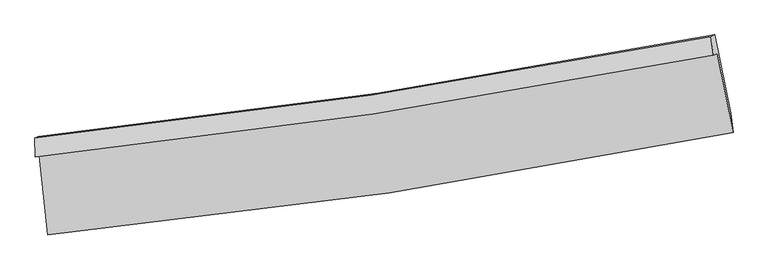
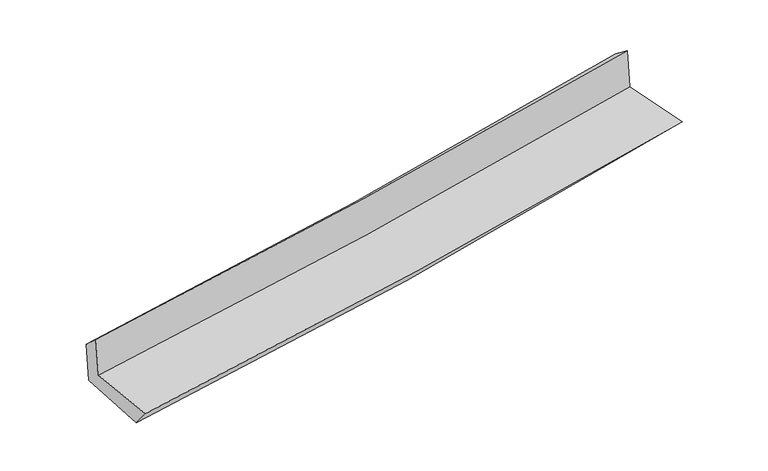
"""IFC4 building model written with IfcOpenShell, lengths in millimetres: proxy geometry."""

import ifcopenshell
import ifcopenshell.guid

model = None  # the IFC model being written
_history = None  # IfcOwnerHistory: only IFC2X3 demands one
_inside = {}  # id of a spatial element -> (the spatial element, [elements in it])
_under = {}  # id of a project, library or spatial element -> (it, [spatial elements below it])
_declared = {}  # id of a project -> (the project, [libraries it declares])
_typed = {}  # id of a type object -> (the type object, [elements of that type])
_made_of = {}  # id of a material, layer set ... -> (it, [elements and type objects made of it])


def new_model(schema):
    """Start an empty IFC model of exactly this schema.

    Asked for "IFC4X3", IfcOpenShell would pick the latest addendum, in which some entities
    have other attributes; the version numbers below select the first issue.
    IFC2X3 requires an IfcOwnerHistory on every rooted entity: one is made here for all.
    """
    global model, _history
    if schema == "IFC4X3":
        model = ifcopenshell.file(schema_version=(4, 3, 0, 0))
    else:
        model = ifcopenshell.file(schema=schema)
    _inside.clear()
    _under.clear()
    _declared.clear()
    _typed.clear()
    _made_of.clear()
    _history = None
    if model.schema == "IFC2X3":
        org = make("IfcOrganization", Name="unknown")
        user = make(
            "IfcPersonAndOrganization",
            ThePerson=make("IfcPerson", FamilyName="unknown"),
            TheOrganization=org,
        )
        app = make(
            "IfcApplication",
            ApplicationDeveloper=org,
            Version="unknown",
            ApplicationFullName="unknown",
            ApplicationIdentifier="unknown",
        )
        _history = make(
            "IfcOwnerHistory",
            OwningUser=user,
            OwningApplication=app,
            ChangeAction="ADDED",
            CreationDate=0,
        )
    return model


def make(cls, **values):
    """One entity of the class cls with the attributes given. An attribute that is None is left unset."""
    return model.create_entity(
        cls, **{name: value for name, value in values.items() if value is not None}
    )


def rooted(cls, **values):
    """An entity with a GlobalId (a new one), such as an element, a storey or a relation."""
    return make(cls, GlobalId=ifcopenshell.guid.new(), OwnerHistory=_history, **values)


def si_unit(unit_type, name, prefix=None):
    """IfcSIUnit, for example si_unit("LENGTHUNIT", "METRE", prefix="MILLI")."""
    return make("IfcSIUnit", UnitType=unit_type, Prefix=prefix, Name=name)


def assignment(units):
    """IfcUnitAssignment: the units of a project."""
    return None if units is None else make("IfcUnitAssignment", Units=units)


def point(xyz):
    """IfcCartesianPoint."""
    return None if xyz is None else make("IfcCartesianPoint", Coordinates=xyz)


def direction(xyz):
    """IfcDirection."""
    return None if xyz is None else make("IfcDirection", DirectionRatios=xyz)


def frame(location, z_axis=None, x_axis=None):
    """IfcAxis2Placement3D, a coordinate frame: its origin and axes. An axis left out is left unset."""
    return make(
        "IfcAxis2Placement3D",
        Location=point(location),
        Axis=direction(z_axis),
        RefDirection=direction(x_axis),
    )


def origin():
    """The frame at (0, 0, 0) with its axes left unset."""
    return frame((0.0, 0.0, 0.0))


def place(relative_to, where):
    """IfcLocalPlacement: puts the frame where relative to a parent placement (None: the world)."""
    return make(
        "IfcLocalPlacement", PlacementRelTo=relative_to, RelativePlacement=where
    )


def context(
    kind, dimensions, precision=None, world=None, true_north=None, identifier=None
):
    """IfcGeometricRepresentationContext, for example the 3D "Model" context."""
    return make(
        "IfcGeometricRepresentationContext",
        ContextIdentifier=identifier,
        ContextType=kind,
        CoordinateSpaceDimension=dimensions,
        Precision=precision,
        WorldCoordinateSystem=world,
        TrueNorth=true_north,
    )


def project(units=None, contexts=None):
    """IfcProject with its units and contexts."""
    return rooted(
        "IfcProject",
        Name="project",
        RepresentationContexts=contexts,
        UnitsInContext=assignment(units),
    )


def spatial(cls, under=None, at=None, **own):
    """A site, building, storey or space (cls), placed at a placement, below another one or the project."""
    s = rooted(cls, ObjectPlacement=at, **own)
    if under is not None:
        _under.setdefault(under.id(), (under, []))[1].append(s)
    return s


def shape(context_of_items, identifier, shape_type, items):
    """IfcShapeRepresentation: the items that make up one representation, for example the "Body"."""
    return make(
        "IfcShapeRepresentation",
        ContextOfItems=context_of_items,
        RepresentationIdentifier=identifier,
        RepresentationType=shape_type,
        Items=items,
    )


def source(mapping_origin, context_of_items, identifier, shape_type, items):
    """IfcRepresentationMap: a shape defined once, which mapped items show again and again."""
    return make(
        "IfcRepresentationMap",
        MappingOrigin=mapping_origin,
        MappedRepresentation=shape(context_of_items, identifier, shape_type, items),
    )


def transform(
    local_origin,
    x_axis=None,
    y_axis=None,
    z_axis=None,
    scale=None,
    scale2=None,
    scale3=None,
    uniform=True,
):
    """IfcCartesianTransformationOperator3D, or its non-uniform kind. x_axis, y_axis, z_axis: its Axis1, 2, 3."""
    if uniform:
        return make(
            "IfcCartesianTransformationOperator3D",
            Axis1=direction(x_axis),
            Axis2=direction(y_axis),
            LocalOrigin=point(local_origin),
            Scale=scale,
            Axis3=direction(z_axis),
        )
    return make(
        "IfcCartesianTransformationOperator3DnonUniform",
        Axis1=direction(x_axis),
        Axis2=direction(y_axis),
        LocalOrigin=point(local_origin),
        Scale=scale,
        Axis3=direction(z_axis),
        Scale2=scale2,
        Scale3=scale3,
    )


def mapped(mapping_source, mapping_target):
    """IfcMappedItem: shows the shape of a source again, moved by a transform."""
    return make(
        "IfcMappedItem", MappingSource=mapping_source, MappingTarget=mapping_target
    )


def made_of(thing, what):
    """Note that an element or type object is made of a material, layer set ...; save() writes the relation."""
    if what is not None:
        _made_of.setdefault(what.id(), (what, []))[1].append(thing)
    return thing


def element(
    cls,
    number,
    at=None,
    inside=None,
    cuts=None,
    type_object=None,
    material=None,
    context=None,
    identifier="Body",
    shape_type=None,
    held_by="IfcProductDefinitionShape",
    body=None,
    shapes=None,
    **own,
):
    """One element of the class cls, such as IfcWall. Its Tag is "e" and its number.

    at: its placement. inside: the storey or other place that contains it. cuts: it is an
    opening in that element (IfcRelVoidsElement). A single representation is given by context,
    identifier, shape_type and body (its items); several are given by shapes. held_by: the class
    of the entity that holds the representations. save() writes the other relations.
    """
    e = rooted(cls, Tag="e%d" % number, ObjectPlacement=at, **own)
    if body is not None:
        shapes = [shape(context, identifier, shape_type, body)]
    if shapes is not None:
        e.Representation = make(held_by, Representations=shapes)
    if inside is not None:
        _inside.setdefault(inside.id(), (inside, []))[1].append(e)
    if cuts is not None:
        rooted(
            "IfcRelVoidsElement", RelatingBuildingElement=cuts, RelatedOpeningElement=e
        )
    if type_object is not None:
        _typed.setdefault(type_object.id(), (type_object, []))[1].append(e)
    return made_of(e, material)


def aggregate(whole, parts):
    """IfcRelAggregates: a whole, such as a stair, and the parts it consists of."""
    return rooted("IfcRelAggregates", RelatingObject=whole, RelatedObjects=parts)


def save(model, path):
    """Write the relations noted so far, then the file.

    IfcRelAggregates (storeys below a building ...), IfcRelContainedInSpatialStructure (elements
    in a storey), IfcRelDefinesByType, IfcRelAssociatesMaterial and IfcRelDeclares: one each for
    every whole, place, type object, material and project.
    """
    for whole, parts in _under.values():
        aggregate(whole, parts)
    for where, things in _inside.values():
        rooted(
            "IfcRelContainedInSpatialStructure",
            RelatedElements=things,
            RelatingStructure=where,
        )
    for kind, things in _typed.values():
        rooted("IfcRelDefinesByType", RelatedObjects=things, RelatingType=kind)
    for what, things in _made_of.values():
        rooted("IfcRelAssociatesMaterial", RelatedObjects=things, RelatingMaterial=what)
    for by, libraries in _declared.values():
        rooted("IfcRelDeclares", RelatingContext=by, RelatedDefinitions=libraries)
    model.write(path)


def plane_surface(at):
    """IfcPlane: the flat surface through the origin of the frame at, square to its z axis."""
    return make("IfcPlane", Position=at)


def spline_curve(degree, points, multiplicities, knots, weights=None):
    """IfcBSplineCurveWithKnots; with weights, IfcRationalBSplineCurveWithKnots."""
    own = dict(
        Degree=degree,
        ControlPointsList=[point(p) for p in points],
        CurveForm="UNSPECIFIED",
        ClosedCurve=False,
        SelfIntersect=False,
        KnotMultiplicities=multiplicities,
        Knots=knots,
        KnotSpec="UNSPECIFIED",
    )
    if weights is None:
        return make("IfcBSplineCurveWithKnots", **own)
    return make("IfcRationalBSplineCurveWithKnots", WeightsData=weights, **own)


def spline_surface(u_degree, v_degree, points, u_multiplicities, v_multiplicities, u_knots, v_knots, weights=None):
    """IfcBSplineSurfaceWithKnots; with weights, IfcRationalBSplineSurfaceWithKnots. points: one row for each step in u."""
    own = dict(
        UDegree=u_degree,
        VDegree=v_degree,
        ControlPointsList=[[point(p) for p in row] for row in points],
        SurfaceForm="UNSPECIFIED",
        UClosed=False,
        VClosed=False,
        SelfIntersect=False,
        UMultiplicities=u_multiplicities,
        VMultiplicities=v_multiplicities,
        UKnots=u_knots,
        VKnots=v_knots,
        KnotSpec="UNSPECIFIED",
    )
    if weights is None:
        return make("IfcBSplineSurfaceWithKnots", **own)
    return make("IfcRationalBSplineSurfaceWithKnots", WeightsData=weights, **own)


def advanced_brep(points, edges, surfaces, faces):
    """IfcAdvancedBrep: a solid bounded by faces that lie on surfaces and meet in shared edges.

    An edge is (start, end): straight between two places in points (the first is 0);
    or (start, end, curve); or (start, end, curve, False) where it runs against its curve.
    A face is (place in surfaces, loops), or (place, loops, False) where it looks against
    its surface's normal. A loop lists edges by number (the first is 1), with a minus sign
    where the edge is run from its end to its start. The first loop is the outer one.
    """
    corners = [point(p) for p in points]
    vertices = [make("IfcVertexPoint", VertexGeometry=c) for c in corners]
    made = []
    for start, end, *more in edges:
        made.append(
            make(
                "IfcEdgeCurve",
                EdgeStart=vertices[start],
                EdgeEnd=vertices[end],
                EdgeGeometry=more[0] if more else make("IfcPolyline", Points=[corners[start], corners[end]]),
                SameSense=more[1] if len(more) > 1 else True,
            )
        )
    hull = []
    for where, loops, *sense in faces:
        bounds = []
        for j, loop in enumerate(loops):
            ring = [make("IfcOrientedEdge", EdgeElement=made[abs(k) - 1], Orientation=k > 0) for k in loop]
            bounds.append(
                make(
                    "IfcFaceOuterBound" if j == 0 else "IfcFaceBound",
                    Bound=make("IfcEdgeLoop", EdgeList=ring),
                    Orientation=True,
                )
            )
        hull.append(make("IfcAdvancedFace", Bounds=bounds, FaceSurface=surfaces[where], SameSense=sense[0] if sense else True))
    return make("IfcAdvancedBrep", Outer=make("IfcClosedShell", CfsFaces=hull))


def generic_models_95d7e3f1(model_context):
    return source(origin(), model_context, "Body", "AdvancedBrep", [
        advanced_brep(
        [(-2864.4517794, -1907.6178975, 1670.2389142), (-2792.1206248, -2575.0051779, 1652.9737878), (2954.3009606, -1715.2571166, 2138.109421), (2822.7029005, -1054.1914465, 2143.9783306), (-2897.0651946, -1921.1629302, 2057.1933093), (2789.458042, -1067.9987308, 2538.4247277), (-2901.4655112, -1764.1462409, 1917.8734047), (2768.8883864, -908.8305948, 2417.9829222), (-2868.4250553, -1750.4238493, 1525.8522208), (2801.067922, -895.4657613, 2036.1764576), (-2792.0412819, -2418.2153883, 1463.0201546), (2936.4149969, -1551.7812334, 1978.8860167)],
        [
            (0, 1),
            (1, 2, spline_curve(3, [(-2792.1206248, -2575.0051779, 1652.9737878), (-1835.694993065, -2483.56671977, 1750.103169977), (-882.060435616, -2366.904500186, 1838.864156311), (1033.495440635, -2081.063002079, 2000.8219358), (1995.334745141, -1911.142534783, 2073.772827177), (2954.3009606, -1715.2571166, 2138.109421)], [4, 2, 4], [0.0, 9.449695345502029, 19.037223028808786])),
            (2, 3),
            (3, 0, spline_curve(3, [(2822.7029005, -1054.1914465, 2143.9783306), (1873.917320516, -1238.864395829, 2068.954646543), (922.142163704, -1402.684762087, 1991.662384477), (-973.66140256, -1686.564993443, 1833.68448749), (-1917.604472578, -1807.220110766, 1753.063610894), (-2864.4517794, -1907.6178975, 1670.2389142)], [4, 2, 4], [0.0, 9.587527683306757, 19.037223028808786])),
            (4, 0),
            (3, 5),
            (5, 4, spline_curve(3, [(2789.458042, -1067.9987308, 2538.4247277), (1840.295960265, -1252.828049249, 2467.868194537), (888.387300512, -1416.703862161, 2392.159929891), (-1007.198848302, -1700.493795142, 2231.602396827), (-1950.797934035, -1821.0060486, 2146.900188838), (-2897.0651946, -1921.1629302, 2057.1933093)], [4, 2, 4], [0.0, 9.536950614384542, 18.93679599766789])),
            (6, 4),
            (5, 7),
            (7, 6, spline_curve(3, [(2768.8883864, -908.8305948, 2417.9829222), (1823.466855824, -1095.290537125, 2337.30056637), (874.781957561, -1260.157651939, 2254.97000896), (-1015.429163356, -1544.646483633, 2088.219787348), (-1956.862231202, -1664.884584502, 2003.847172369), (-2901.4655112, -1764.1462409, 1917.8734047)], [4, 2, 4], [0.0, 9.525420542237736, 18.913901612144585])),
            (8, 6),
            (7, 9),
            (9, 8, spline_curve(3, [(2801.067922, -895.4657613, 2036.1764576), (1855.586728033, -1081.950483383, 1956.202002063), (906.944999985, -1246.799668448, 1873.359234658), (-982.976211964, -1531.168095075, 1703.169277846), (-1924.165476743, -1651.304939205, 1615.903966017), (-2868.4250553, -1750.4238493, 1525.8522208)], [4, 2, 4], [0.0, 9.513917325472441, 18.89106055130562])),
            (10, 8),
            (9, 11),
            (11, 10, spline_curve(3, [(2936.4149969, -1551.7812334, 1978.8860167), (1982.271985883, -1751.475317754, 1896.947386356), (1024.345689217, -1923.851602313, 1812.661128975), (-885.247734048, -2211.883180446, 1640.638826585), (-1836.806863381, -2328.318280737, 1552.969796916), (-2792.0412819, -2418.2153883, 1463.0201546)], [4, 2, 4], [0.0, 9.564495321035446, 18.99148942240651])),
            (1, 10),
            (11, 2),
        ],
        [
            spline_surface(3, 3, [[(-2864.4517794, -1907.6178975, 1670.2389142), (-1917.604472436, -1807.220110643, 1753.063610767), (-973.661402606, -1686.564993291, 1833.684487465), (922.142163751, -1402.684762241, 1991.662384503), (1873.917320534, -1238.864395945, 2068.95464666), (2822.7029005, -1054.1914465, 2143.9783306)], [(-2840.341394543, -2130.080324303, 1664.483872058), (-1890.301312615, -2032.668980406, 1752.076797181), (-943.127746947, -1913.344828936, 1835.411043769), (959.259922722, -1628.810842198, 1994.715568236), (1914.389795391, -1462.957108879, 2070.560706826), (2866.568920528, -1274.546669874, 2142.022027429)], [(-2816.231009657, -2352.542751097, 1658.728829942), (-1862.998152764, -2258.117850162, 1751.08998362), (-912.594091296, -2140.124664544, 1837.137600088), (996.377681686, -1854.936922119, 1997.768751985), (1954.862270264, -1687.04982179, 2072.166766907), (2910.434940572, -1494.901893226, 2140.065724171)], [(-2792.1206248, -2575.0051779, 1652.9737878), (-1835.694992944, -2483.566719926, 1750.103170034), (-882.060435638, -2366.904500188, 1838.864156392), (1033.495440657, -2081.063002077, 2000.821935718), (1995.334745122, -1911.142534724, 2073.772827074), (2954.3009606, -1715.2571166, 2138.109421)]], [4, 4], [4, 2, 4], [0.0, 2.2537401650040145], [0.0, 9.449695345502029, 19.037223028808786]),
            spline_surface(3, 3, [[(-2897.0651946, -1921.1629302, 2057.1933093), (-1950.797934013, -1821.006048722, 2146.900188979), (-1007.198848226, -1700.493795121, 2231.602396939), (888.387300434, -1416.703862182, 2392.159929776), (1840.295960183, -1252.82804933, 2467.868194639), (2789.458042, -1067.9987308, 2538.4247277)], [(-2886.194056209, -1916.647919306, 1928.208510941), (-1939.73344683, -1816.410736034, 2015.621329583), (-996.019699683, -1695.850861176, 2098.963093787), (899.638921542, -1412.030828866, 2258.660748025), (1851.503080301, -1248.173498204, 2334.897011971), (2800.539661502, -1063.396302703, 2406.942595325)], [(-2875.322917791, -1912.132908394, 1799.223712559), (-1928.668959619, -1811.81542333, 1884.342470163), (-984.840551148, -1691.207927237, 1966.323790617), (910.890542643, -1407.357795557, 2125.161566255), (1862.710200415, -1243.518947071, 2201.925829327), (2811.621280998, -1058.793874597, 2275.460462975)], [(-2864.4517794, -1907.6178975, 1670.2389142), (-1917.604472436, -1807.220110643, 1753.063610767), (-973.661402606, -1686.564993291, 1833.684487465), (922.142163751, -1402.684762241, 1991.662384503), (1873.917320534, -1238.864395945, 2068.95464666), (2822.7029005, -1054.1914465, 2143.9783306)]], [4, 4], [4, 2, 4], [0.0, 1.315239657130727], [0.0, 9.399845383283347, 18.93679599766789]),
            spline_surface(3, 3, [[(-2901.4655112, -1764.1462409, 1917.8734047), (-1956.862231089, -1664.884584504, 2003.847172261), (-1015.429163463, -1544.646483739, 2088.219787322), (874.78195767, -1260.157651832, 2254.970008986), (1823.466855937, -1095.290537243, 2337.300566402), (2768.8883864, -908.8305948, 2417.9829222)], [(-2899.998739003, -1816.485137327, 1964.313372904), (-1954.840798733, -1716.925072571, 2051.531511172), (-1012.685725067, -1596.595587528, 2136.013990516), (879.317071908, -1312.339721944, 2300.699982571), (1829.076557362, -1147.803041266, 2380.823109129), (2775.744938276, -961.886640127, 2458.130190681)], [(-2898.531966797, -1868.824033773, 2010.753341096), (-1952.819366369, -1768.965560655, 2099.215850069), (-1009.942286621, -1648.544691332, 2183.808193745), (883.852186196, -1364.52179207, 2346.429956191), (1834.686258758, -1200.315545307, 2424.345651912), (2782.601490124, -1014.942685473, 2498.277459219)], [(-2897.0651946, -1921.1629302, 2057.1933093), (-1950.797934013, -1821.006048722, 2146.900188979), (-1007.198848226, -1700.493795121, 2231.602396939), (888.387300434, -1416.703862182, 2392.159929776), (1840.295960183, -1252.82804933, 2467.868194639), (2789.458042, -1067.9987308, 2538.4247277)]], [4, 4], [4, 2, 4], [0.0, 0.6896525084225273], [0.0, 9.388481069906849, 18.913901612144585]),
            spline_surface(3, 3, [[(-2868.4250553, -1750.4238493, 1525.8522208), (-1924.16547662, -1651.304939289, 1615.903966046), (-982.976212113, -1531.168095106, 1703.169277743), (906.945000136, -1246.799668416, 1873.359234763), (1855.586728061, -1081.950483231, 1956.202002041), (2801.067922, -895.4657613, 2036.1764576)], [(-2879.4385406, -1754.99797984, 1656.52594876), (-1935.064394777, -1655.831487701, 1745.218368111), (-993.793862539, -1535.660891332, 1831.519447597), (896.223986005, -1251.252329569, 2000.562826165), (1844.880104006, -1086.397167885, 2083.234856853), (2790.34141012, -899.920705783, 2163.445279159)], [(-2890.4520259, -1759.57211036, 1787.19967674), (-1945.963312933, -1660.358036093, 1874.532770196), (-1004.611513037, -1540.153687514, 1959.869617468), (885.502971801, -1255.704990679, 2127.766417584), (1834.173479992, -1090.843852589, 2210.267711589), (2779.61489828, -904.375650317, 2290.714100641)], [(-2901.4655112, -1764.1462409, 1917.8734047), (-1956.862231089, -1664.884584504, 2003.847172261), (-1015.429163463, -1544.646483739, 2088.219787322), (874.78195767, -1260.157651832, 2254.970008986), (1823.466855937, -1095.290537243, 2337.300566402), (2768.8883864, -908.8305948, 2417.9829222)]], [4, 4], [4, 2, 4], [0.0, 1.2627915254892188], [0.0, 9.37714322583318, 18.89106055130562]),
            spline_surface(3, 3, [[(-2792.0412819, -2418.2153883, 1463.0201546), (-1836.806863454, -2328.318280667, 1552.969796872), (-885.247733906, -2211.883180311, 1640.638826699), (1024.345689073, -1923.851602449, 1812.661128858), (1982.271985817, -1751.475317799, 1896.947386369), (2936.4149969, -1551.7812334, 1978.8860167)], [(-2817.502539696, -2195.618208639, 1483.964176683), (-1865.926401172, -2102.64716688, 1573.947853279), (-917.823893334, -1984.978151912, 1661.482310379), (985.212126068, -1698.16762444, 1832.893830825), (1940.043566582, -1528.300372946, 1916.698924907), (2891.299305284, -1333.009409369, 1997.982830314)], [(-2842.963797504, -1973.021028961, 1504.908198717), (-1895.045938902, -1876.976053077, 1594.925909639), (-950.400052684, -1758.073123506, 1682.325794064), (946.078563141, -1472.483646425, 1853.126532797), (1897.815147296, -1305.125428085, 1936.450463503), (2846.183613616, -1114.237585331, 2017.079643986)], [(-2868.4250553, -1750.4238493, 1525.8522208), (-1924.16547662, -1651.304939289, 1615.903966046), (-982.976212113, -1531.168095106, 1703.169277743), (906.945000136, -1246.799668416, 1873.359234763), (1855.586728061, -1081.950483231, 1956.202002041), (2801.067922, -895.4657613, 2036.1764576)]], [4, 4], [4, 2, 4], [0.0, 2.2641148824772803], [0.0, 9.426994101371063, 18.99148942240651]),
            spline_surface(3, 3, [[(-2792.1206248, -2575.0051779, 1652.9737878), (-1835.694992944, -2483.566719926, 1750.103170034), (-882.060435638, -2366.904500188, 1838.864156392), (1033.495440657, -2081.063002077, 2000.821935718), (1995.334745122, -1911.142534724, 2073.772827074), (2954.3009606, -1715.2571166, 2138.109421)], [(-2792.094177149, -2522.741914686, 1589.655910054), (-1836.065616429, -2431.817240159, 1684.392045633), (-883.12286838, -2315.230726875, 1772.789046513), (1030.445523476, -2028.65920218, 1938.101666783), (1990.98049201, -1857.920129093, 2014.831013497), (2948.33897269, -1660.765155544, 2085.034952891)], [(-2792.067729551, -2470.478651514, 1526.338032346), (-1836.436239969, -2380.067760434, 1618.680921272), (-884.185301163, -2263.556953625, 1706.713936578), (1027.395606254, -1976.255402347, 1875.381397793), (1986.626238928, -1804.69772343, 1955.889199946), (2942.37698481, -1606.273194456, 2031.960484809)], [(-2792.0412819, -2418.2153883, 1463.0201546), (-1836.806863454, -2328.318280667, 1552.969796872), (-885.247733906, -2211.883180311, 1640.638826699), (1024.345689073, -1923.851602449, 1812.661128858), (1982.271985817, -1751.475317799, 1896.947386369), (2936.4149969, -1551.7812334, 1978.8860167)]], [4, 4], [4, 2, 4], [0.0, 0.8150160856462194], [0.0, 9.488232969742153, 19.114860383330367]),
            plane_surface(frame((2845.4722014, -1198.9208139, 2208.9263126), z_axis=(0.9770040556994147, 0.19370053620065206, 0.08912450517380145), x_axis=(-0.08393351449818133, -0.03485934211820332, 0.9958614318322955))),
            plane_surface(frame((-2852.5949079, -2056.0952473, 1714.5252986), z_axis=(-0.9906326643268396, -0.10510923614014561, -0.0871720875437911), x_axis=(-0.10771299602416821, 0.9938495231900629, 0.025710615363738865))),
        ],
        [
            (0, [[1, 2, 3, 4]]),
            (1, [[5, -4, 6, 7]]),
            (2, [[8, -7, 9, 10]]),
            (3, [[11, -10, 12, 13]]),
            (4, [[14, -13, 15, 16]]),
            (5, [[17, -16, 18, -2]]),
            (6, [[-12, -9, -6, -3, -18, -15]]),
            (7, [[-1, -5, -8, -11, -14, -17]]),
        ],
    ),
    ])


if __name__ == "__main__":
    model = new_model("IFC4")
    model_context = context("Model", 3, world=origin())
    ifc_project = project(units=[si_unit("LENGTHUNIT", "METRE", prefix="MILLI")], contexts=[model_context])
    site = spatial("IfcSite", under=ifc_project)
    building = spatial("IfcBuilding", under=site)
    placement = place(None, origin())
    generic_models_shape = generic_models_95d7e3f1(model_context)
    element("IfcBuildingElementProxy", 1, Name="Generic Models", at=placement, inside=building, context=model_context, shape_type="MappedRepresentation", body=[
        mapped(generic_models_shape, transform((0.0, 0.0, 0.0), x_axis=(1.0, 0.0, 0.0), y_axis=(0.0, 1.0, 0.0), z_axis=(0.0, 0.0, 1.0))),
    ])
    save(model, "model.ifc")
